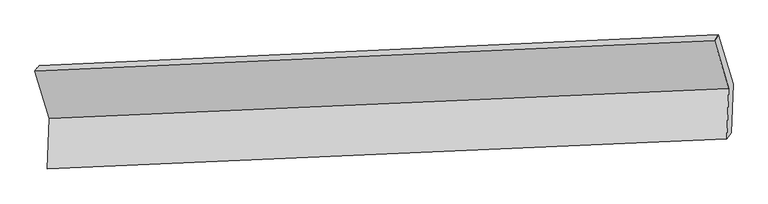
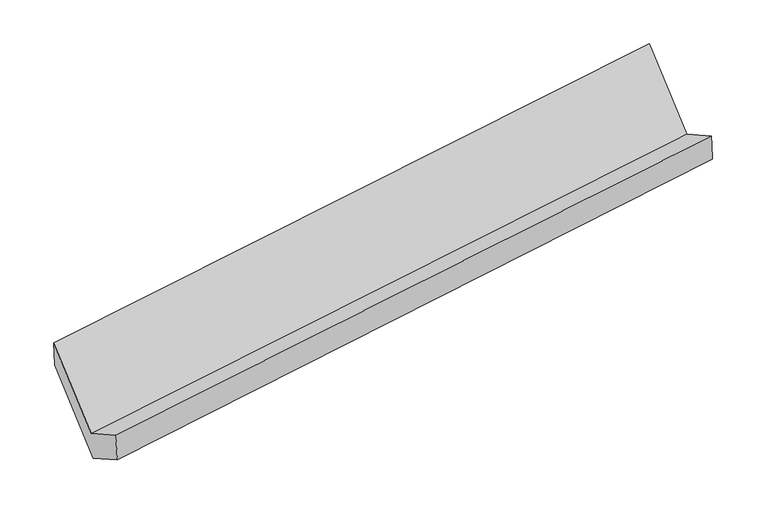
"""IFC4 building model written with IfcOpenShell, lengths in millimetres: proxy geometry."""

from ifc_helpers import new_model, si_unit, frame, origin, place, context, project, spatial, source, transform, mapped, element, save
from ifc_brep_helpers import plane_surface, spline_surface, advanced_brep


def generic_models_765bf71e(model_context):
    return source(origin(), model_context, "Body", "AdvancedBrep", [
        advanced_brep(
        [(-5174.4541967, -1621.0685809, 1450.7121526), (-5187.2252262, -1967.4393315, 1649.948691), (-516.7154759, -1760.3558597, 2309.3401689), (-503.9444463, -1413.9851091, 2110.1036305), (-5155.4766117, -1932.5595505, 1419.7040785), (-486.4373371, -1720.5035065, 2087.6460667), (-5143.0250267, -1594.8526456, 1225.4510863), (-473.985752, -1382.7966016, 1893.3930744), (-5243.3849194, -1255.4748453, 1809.0229813), (-574.3456447, -1043.4188012, 2476.9649695), (-5271.873138, -1291.635925, 2017.183027), (-601.3633876, -1084.5524532, 2676.5745049)],
        [
            (0, 1),
            (1, 2),
            (2, 3),
            (3, 0),
            (1, 4),
            (4, 5),
            (5, 2),
            (4, 6),
            (6, 7),
            (7, 5),
            (6, 8),
            (8, 9),
            (9, 7),
            (8, 10),
            (10, 11),
            (11, 9),
            (10, 0),
            (3, 11),
        ],
        [
            plane_surface(frame((-5180.8397115, -1794.2539562, 1550.3304218), z_axis=(-0.14285842814854371, 0.4974474811152334, 0.8556503217080195), x_axis=(-0.031944449522241396, -0.8663845721363345, 0.4983546180270248))),
            spline_surface(1, 1, [[(-5187.2252262, -1967.4393315, 1649.948691), (-516.7154759, -1760.3558597, 2309.3401689)], [(-5155.4766117, -1932.5595505, 1419.7040785), (-486.4373371, -1720.5035065, 2087.6460667)]], [2, 2], [2, 2], [0.0, 1.0], [0.0, 1.0]),
            plane_surface(frame((-5149.2508192, -1763.7060981, 1322.5775824), z_axis=(0.14495331547365312, -0.4973534669296498, -0.8553525970418595), x_axis=(0.03194444952228094, 0.8663845721363775, -0.4983546180269473))),
            plane_surface(frame((-5193.204973, -1425.1637455, 1517.2370338), z_axis=(0.03194444952224089, 0.8663845721363351, -0.49835461802702363), x_axis=(-0.1470475713206419, 0.4972572207273202, 0.8550510325139908))),
            spline_surface(1, 1, [[(-5243.3849194, -1255.4748453, 1809.0229813), (-574.3456447, -1043.4188012, 2476.9649695)], [(-5271.873138, -1291.635925, 2017.183027), (-601.3633876, -1084.5524532, 2676.5745049)]], [2, 2], [2, 2], [0.0, 1.0], [0.0, 1.0]),
            plane_surface(frame((-5223.1636673, -1456.3522529, 1733.9475898), z_axis=(-0.03194444952224321, -0.8663845721363307, 0.498354618027031), x_axis=(0.1470475713206427, -0.4972572207273278, -0.8550510325139863))),
            plane_surface(frame((-526.1320073, -1400.9353886, 2259.0037358), z_axis=(0.9886134552561086, 0.04596770169022244, 0.14328435534941325), x_axis=(-0.13141773924638933, -0.20007931683700264, 0.970926178854709))),
            plane_surface(frame((-5195.9065198, -1610.5051465, 1595.3370028), z_axis=(-0.988613455256109, -0.04596770169021574, -0.1432843553494128), x_axis=(-0.1470475713206394, 0.4972572207273166, 0.8550510325139935))),
        ],
        [
            (0, [[1, 2, 3, 4]]),
            (1, [[5, 6, 7, -2]]),
            (2, [[8, 9, 10, -6]]),
            (3, [[11, 12, 13, -9]]),
            (4, [[14, 15, 16, -12]]),
            (5, [[17, -4, 18, -15]]),
            (6, [[-16, -18, -3, -7, -10, -13]]),
            (7, [[-17, -14, -11, -8, -5, -1]]),
        ],
    ),
    ])


if __name__ == "__main__":
    model = new_model("IFC4")
    model_context = context("Model", 3, world=origin())
    ifc_project = project(units=[si_unit("LENGTHUNIT", "METRE", prefix="MILLI")], contexts=[model_context])
    site = spatial("IfcSite", under=ifc_project)
    building = spatial("IfcBuilding", under=site)
    placement = place(None, origin())
    generic_models_shape = generic_models_765bf71e(model_context)
    element("IfcBuildingElementProxy", 1, Name="Generic Models", at=placement, inside=building, context=model_context, shape_type="MappedRepresentation", body=[
        mapped(generic_models_shape, transform((0.0, 0.0, 0.0), x_axis=(1.0, 0.0, 0.0), y_axis=(0.0, 1.0, 0.0), z_axis=(0.0, 0.0, 1.0))),
    ])
    save(model, "model.ifc")
